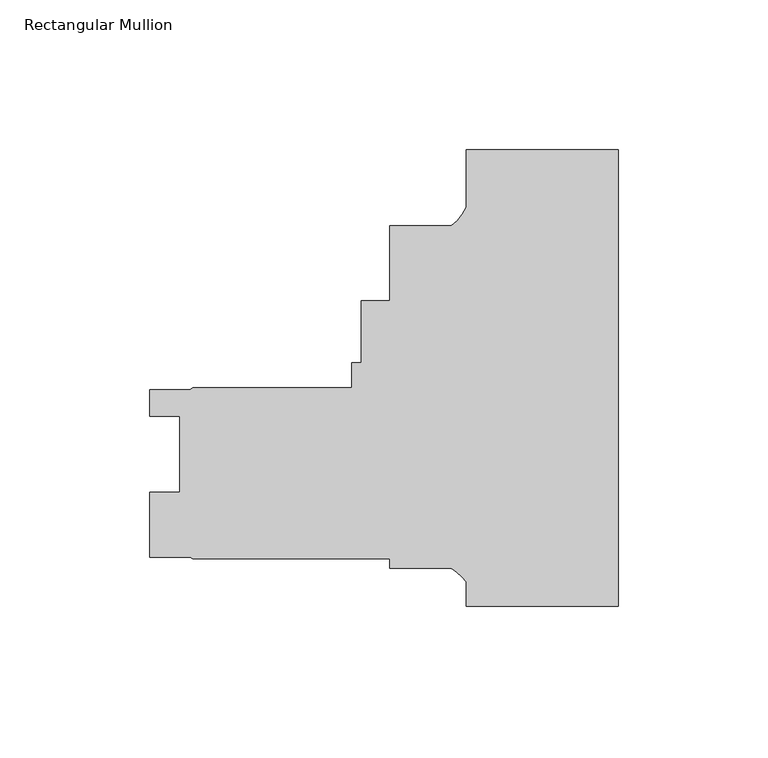
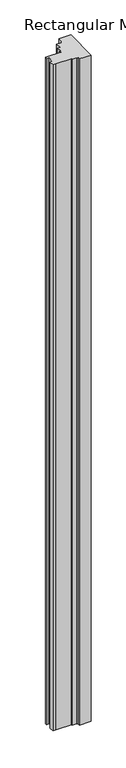
"""IFC4 building model written with IfcOpenShell, lengths in millimetres: member geometry, Rectangular Mullion."""

import ifcopenshell
import ifcopenshell.guid

model = None  # the IFC model being written
_history = None  # IfcOwnerHistory: only IFC2X3 demands one
_inside = {}  # id of a spatial element -> (the spatial element, [elements in it])
_under = {}  # id of a project, library or spatial element -> (it, [spatial elements below it])
_declared = {}  # id of a project -> (the project, [libraries it declares])
_typed = {}  # id of a type object -> (the type object, [elements of that type])
_made_of = {}  # id of a material, layer set ... -> (it, [elements and type objects made of it])


def new_model(schema):
    """Start an empty IFC model of exactly this schema.

    Asked for "IFC4X3", IfcOpenShell would pick the latest addendum, in which some entities
    have other attributes; the version numbers below select the first issue.
    IFC2X3 requires an IfcOwnerHistory on every rooted entity: one is made here for all.
    """
    global model, _history
    if schema == "IFC4X3":
        model = ifcopenshell.file(schema_version=(4, 3, 0, 0))
    else:
        model = ifcopenshell.file(schema=schema)
    _inside.clear()
    _under.clear()
    _declared.clear()
    _typed.clear()
    _made_of.clear()
    _history = None
    if model.schema == "IFC2X3":
        org = make("IfcOrganization", Name="unknown")
        user = make(
            "IfcPersonAndOrganization",
            ThePerson=make("IfcPerson", FamilyName="unknown"),
            TheOrganization=org,
        )
        app = make(
            "IfcApplication",
            ApplicationDeveloper=org,
            Version="unknown",
            ApplicationFullName="unknown",
            ApplicationIdentifier="unknown",
        )
        _history = make(
            "IfcOwnerHistory",
            OwningUser=user,
            OwningApplication=app,
            ChangeAction="ADDED",
            CreationDate=0,
        )
    return model


def make(cls, **values):
    """One entity of the class cls with the attributes given. An attribute that is None is left unset."""
    return model.create_entity(
        cls, **{name: value for name, value in values.items() if value is not None}
    )


def rooted(cls, **values):
    """An entity with a GlobalId (a new one), such as an element, a storey or a relation."""
    return make(cls, GlobalId=ifcopenshell.guid.new(), OwnerHistory=_history, **values)


def si_unit(unit_type, name, prefix=None):
    """IfcSIUnit, for example si_unit("LENGTHUNIT", "METRE", prefix="MILLI")."""
    return make("IfcSIUnit", UnitType=unit_type, Prefix=prefix, Name=name)


def assignment(units):
    """IfcUnitAssignment: the units of a project."""
    return None if units is None else make("IfcUnitAssignment", Units=units)


def point(xyz):
    """IfcCartesianPoint."""
    return None if xyz is None else make("IfcCartesianPoint", Coordinates=xyz)


def direction(xyz):
    """IfcDirection."""
    return None if xyz is None else make("IfcDirection", DirectionRatios=xyz)


def frame(location, z_axis=None, x_axis=None):
    """IfcAxis2Placement3D, a coordinate frame: its origin and axes. An axis left out is left unset."""
    return make(
        "IfcAxis2Placement3D",
        Location=point(location),
        Axis=direction(z_axis),
        RefDirection=direction(x_axis),
    )


def frame_2d(location, x_axis=None):
    """IfcAxis2Placement2D, a coordinate frame in the plane: its origin and x axis."""
    return make(
        "IfcAxis2Placement2D", Location=point(location), RefDirection=direction(x_axis)
    )


def origin():
    """The frame at (0, 0, 0) with its axes left unset."""
    return frame((0.0, 0.0, 0.0))


def place(relative_to, where):
    """IfcLocalPlacement: puts the frame where relative to a parent placement (None: the world)."""
    return make(
        "IfcLocalPlacement", PlacementRelTo=relative_to, RelativePlacement=where
    )


def context(
    kind, dimensions, precision=None, world=None, true_north=None, identifier=None
):
    """IfcGeometricRepresentationContext, for example the 3D "Model" context."""
    return make(
        "IfcGeometricRepresentationContext",
        ContextIdentifier=identifier,
        ContextType=kind,
        CoordinateSpaceDimension=dimensions,
        Precision=precision,
        WorldCoordinateSystem=world,
        TrueNorth=true_north,
    )


def project(units=None, contexts=None):
    """IfcProject with its units and contexts."""
    return rooted(
        "IfcProject",
        Name="project",
        RepresentationContexts=contexts,
        UnitsInContext=assignment(units),
    )


def spatial(cls, under=None, at=None, **own):
    """A site, building, storey or space (cls), placed at a placement, below another one or the project."""
    s = rooted(cls, ObjectPlacement=at, **own)
    if under is not None:
        _under.setdefault(under.id(), (under, []))[1].append(s)
    return s


def polyline(points):
    """IfcPolyline through the points."""
    return make("IfcPolyline", Points=[point(p) for p in points])


def circle_curve(where, radius):
    """IfcCircle in the frame where."""
    return make("IfcCircle", Position=where, Radius=radius)


def trimmed(basis, trim1, trim2, sense, master):
    """IfcTrimmedCurve: the piece of a basis curve between two trims."""
    return make(
        "IfcTrimmedCurve",
        BasisCurve=basis,
        Trim1=trim1,
        Trim2=trim2,
        SenseAgreement=sense,
        MasterRepresentation=master,
    )


def segment(curve, same_sense, transition):
    """IfcCompositeCurveSegment."""
    return make(
        "IfcCompositeCurveSegment",
        Transition=transition,
        SameSense=same_sense,
        ParentCurve=curve,
    )


def composite_curve(segments, self_intersect=None):
    """IfcCompositeCurve: segments joined end to end."""
    return make("IfcCompositeCurve", Segments=segments, SelfIntersect=self_intersect)


def outline(outer, holes=None, kind="AREA"):
    """IfcArbitraryClosedProfileDef: a profile drawn as a closed curve; with holes, ...WithVoids."""
    if holes is None:
        return make("IfcArbitraryClosedProfileDef", ProfileType=kind, OuterCurve=outer)
    return make(
        "IfcArbitraryProfileDefWithVoids",
        ProfileType=kind,
        OuterCurve=outer,
        InnerCurves=holes,
    )


def extrude(swept, where, along, depth):
    """IfcExtrudedAreaSolid: the profile swept, set in the frame where, extruded along a direction by depth."""
    return make(
        "IfcExtrudedAreaSolid",
        SweptArea=swept,
        Position=where,
        ExtrudedDirection=direction(along),
        Depth=depth,
    )


def shape(context_of_items, identifier, shape_type, items):
    """IfcShapeRepresentation: the items that make up one representation, for example the "Body"."""
    return make(
        "IfcShapeRepresentation",
        ContextOfItems=context_of_items,
        RepresentationIdentifier=identifier,
        RepresentationType=shape_type,
        Items=items,
    )


def source(mapping_origin, context_of_items, identifier, shape_type, items):
    """IfcRepresentationMap: a shape defined once, which mapped items show again and again."""
    return make(
        "IfcRepresentationMap",
        MappingOrigin=mapping_origin,
        MappedRepresentation=shape(context_of_items, identifier, shape_type, items),
    )


def transform(
    local_origin,
    x_axis=None,
    y_axis=None,
    z_axis=None,
    scale=None,
    scale2=None,
    scale3=None,
    uniform=True,
):
    """IfcCartesianTransformationOperator3D, or its non-uniform kind. x_axis, y_axis, z_axis: its Axis1, 2, 3."""
    if uniform:
        return make(
            "IfcCartesianTransformationOperator3D",
            Axis1=direction(x_axis),
            Axis2=direction(y_axis),
            LocalOrigin=point(local_origin),
            Scale=scale,
            Axis3=direction(z_axis),
        )
    return make(
        "IfcCartesianTransformationOperator3DnonUniform",
        Axis1=direction(x_axis),
        Axis2=direction(y_axis),
        LocalOrigin=point(local_origin),
        Scale=scale,
        Axis3=direction(z_axis),
        Scale2=scale2,
        Scale3=scale3,
    )


def mapped(mapping_source, mapping_target):
    """IfcMappedItem: shows the shape of a source again, moved by a transform."""
    return make(
        "IfcMappedItem", MappingSource=mapping_source, MappingTarget=mapping_target
    )


def made_of(thing, what):
    """Note that an element or type object is made of a material, layer set ...; save() writes the relation."""
    if what is not None:
        _made_of.setdefault(what.id(), (what, []))[1].append(thing)
    return thing


def element(
    cls,
    number,
    at=None,
    inside=None,
    cuts=None,
    type_object=None,
    material=None,
    context=None,
    identifier="Body",
    shape_type=None,
    held_by="IfcProductDefinitionShape",
    body=None,
    shapes=None,
    **own,
):
    """One element of the class cls, such as IfcWall. Its Tag is "e" and its number.

    at: its placement. inside: the storey or other place that contains it. cuts: it is an
    opening in that element (IfcRelVoidsElement). A single representation is given by context,
    identifier, shape_type and body (its items); several are given by shapes. held_by: the class
    of the entity that holds the representations. save() writes the other relations.
    """
    e = rooted(cls, Tag="e%d" % number, ObjectPlacement=at, **own)
    if body is not None:
        shapes = [shape(context, identifier, shape_type, body)]
    if shapes is not None:
        e.Representation = make(held_by, Representations=shapes)
    if inside is not None:
        _inside.setdefault(inside.id(), (inside, []))[1].append(e)
    if cuts is not None:
        rooted(
            "IfcRelVoidsElement", RelatingBuildingElement=cuts, RelatedOpeningElement=e
        )
    if type_object is not None:
        _typed.setdefault(type_object.id(), (type_object, []))[1].append(e)
    return made_of(e, material)


def aggregate(whole, parts):
    """IfcRelAggregates: a whole, such as a stair, and the parts it consists of."""
    return rooted("IfcRelAggregates", RelatingObject=whole, RelatedObjects=parts)


def save(model, path):
    """Write the relations noted so far, then the file.

    IfcRelAggregates (storeys below a building ...), IfcRelContainedInSpatialStructure (elements
    in a storey), IfcRelDefinesByType, IfcRelAssociatesMaterial and IfcRelDeclares: one each for
    every whole, place, type object, material and project.
    """
    for whole, parts in _under.values():
        aggregate(whole, parts)
    for where, things in _inside.values():
        rooted(
            "IfcRelContainedInSpatialStructure",
            RelatedElements=things,
            RelatingStructure=where,
        )
    for kind, things in _typed.values():
        rooted("IfcRelDefinesByType", RelatedObjects=things, RelatingType=kind)
    for what, things in _made_of.values():
        rooted("IfcRelAssociatesMaterial", RelatedObjects=things, RelatingMaterial=what)
    for by, libraries in _declared.values():
        rooted("IfcRelDeclares", RelatingContext=by, RelatedDefinitions=libraries)
    model.write(path)


def rectangular_mullion_f6f0781b(model_context):
    return source(origin(), model_context, "Body", "SweptSolid", [
        extrude(outline(composite_curve([segment(polyline([(0.0, 152.4), (0.0, 0.0), (-50.8, 0.0), (-50.8, 8.1515256)]), True, "CONTINUOUS"), segment(trimmed(circle_curve(frame_2d((-62.7094465, 0.1243368)), 14.3621265), [point((-50.8, 8.1515256))], [point((-55.7723453, 12.7))], True, "CARTESIAN"), True, "CONTINUOUS"), segment(polyline([(-55.7723453, 12.7), (-76.1999898, 12.7), (-76.1999898, 15.875), (-142.0812398, 15.875), (-142.8731333, 16.3321999), (-156.3560396, 16.3321999), (-156.3560396, 38.09365), (-146.3357398, 38.09365), (-146.3357398, 63.49365), (-156.3687398, 63.49365), (-156.3687398, 72.23125), (-143.0614395, 72.23125), (-142.0812398, 73.025), (-88.8999898, 73.025), (-88.8999898, 81.3308), (-85.7249898, 81.3308), (-85.7249898, 101.9556), (-76.1999898, 101.9556), (-76.1999898, 127.0), (-55.6934851, 127.0)]), True, "CONTINUOUS"), segment(trimmed(circle_curve(frame_2d((-64.9144624, 139.281361)), 15.3576772), [point((-55.6934851, 127.0))], [point((-50.8, 133.228246))], True, "CARTESIAN"), True, "CONTINUOUS"), segment(polyline([(-50.8, 133.228246), (-50.8, 152.4), (0.0, 152.4)]), True, "CONTINUOUS")], self_intersect=False)), frame((0.0, 0.0, -3048.0), z_axis=(0.0, 0.0, 1.0), x_axis=(1.0, 0.0, 0.0)), (0.0, 0.0, 1.0), 3048.0),
    ])


if __name__ == "__main__":
    model = new_model("IFC4")
    model_context = context("Model", 3, world=origin())
    ifc_project = project(units=[si_unit("LENGTHUNIT", "METRE", prefix="MILLI")], contexts=[model_context])
    site = spatial("IfcSite", under=ifc_project)
    building = spatial("IfcBuilding", under=site)
    placement = place(None, origin())
    rectangular_mullion_shape = rectangular_mullion_f6f0781b(model_context)
    element("IfcMember", 1, ObjectType="Rectangular Mullion", at=placement, inside=building, context=model_context, shape_type="MappedRepresentation", body=[
        mapped(rectangular_mullion_shape, transform((0.0, 0.0, 0.0), x_axis=(1.0, 0.0, 0.0), y_axis=(0.0, 1.0, 0.0), z_axis=(0.0, 0.0, 1.0))),
    ])
    save(model, "model.ifc")
